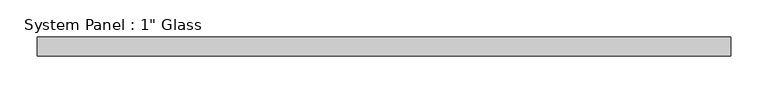
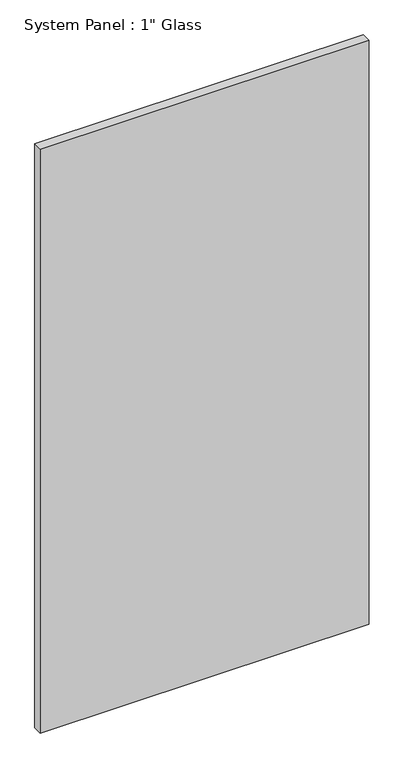
"""IFC4 building model written with IfcOpenShell, lengths in millimetres: plate geometry."""

from ifc_helpers import new_model, si_unit, origin, origin_with_axes, place, context, project, spatial, polyline, outline, extrude, source, transform, mapped, element, save


def plate_e703d610(model_context):
    return source(origin(), model_context, "Body", "SweptSolid", [
        extrude(outline(polyline([(463.5032684, -12.7), (-463.5032684, -12.7), (-463.5032684, 12.7), (463.5032684, 12.7), (463.5032684, -12.7)])), origin_with_axes(), (0.0, 0.0, 1.0), 1739.9),
    ])


if __name__ == "__main__":
    model = new_model("IFC4")
    model_context = context("Model", 3, world=origin())
    ifc_project = project(units=[si_unit("LENGTHUNIT", "METRE", prefix="MILLI")], contexts=[model_context])
    site = spatial("IfcSite", under=ifc_project)
    building = spatial("IfcBuilding", under=site)
    placement = place(None, origin())
    plate_shape = plate_e703d610(model_context)
    element("IfcPlate", 1, ObjectType="System Panel : 1\" Glass", at=placement, inside=building, context=model_context, shape_type="MappedRepresentation", body=[
        mapped(plate_shape, transform((0.0, 0.0, 0.0), x_axis=(1.0, 0.0, 0.0), y_axis=(0.0, 1.0, 0.0), z_axis=(0.0, 0.0, 1.0))),
    ])
    save(model, "model.ifc")
